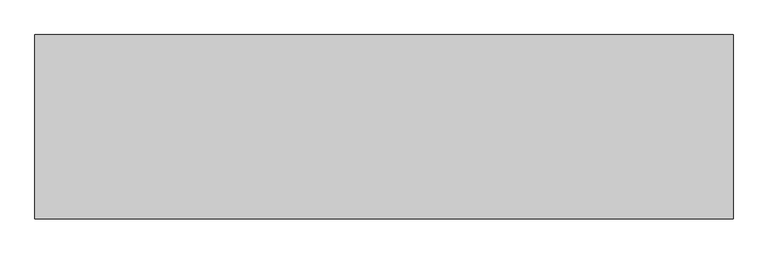
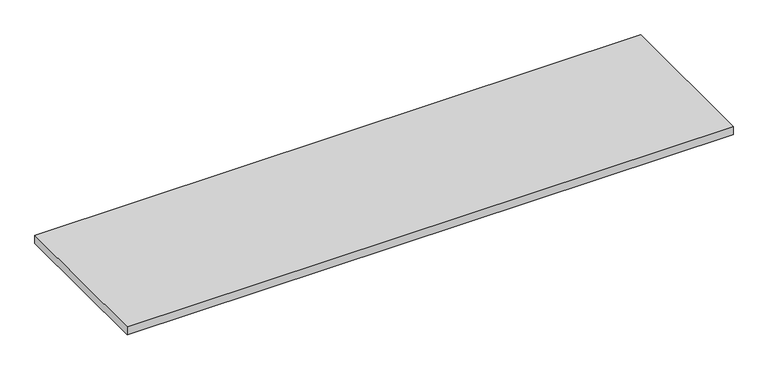
"""IFC4 building model written with IfcOpenShell, lengths in millimetres: furniture geometry."""

from ifc_helpers import new_model, si_unit, frame, origin, place, context, project, spatial, polyline, outline, extrude, source, transform, mapped, element, save


def furniture_3ad478aa(model_context):
    return source(origin(), model_context, "Body", "SweptSolid", [
        extrude(outline(polyline([(1828.8, 0.0), (1828.8, -482.6), (0.0, -482.6), (0.0, 0.0), (1828.8, 0.0)])), frame((0.0, 0.0, 889.0), z_axis=(0.0, 0.0, 1.0), x_axis=(1.0, 0.0, 0.0)), (0.0, 0.0, 1.0), 25.4),
    ])


if __name__ == "__main__":
    model = new_model("IFC4")
    model_context = context("Model", 3, world=origin())
    ifc_project = project(units=[si_unit("LENGTHUNIT", "METRE", prefix="MILLI")], contexts=[model_context])
    site = spatial("IfcSite", under=ifc_project)
    building = spatial("IfcBuilding", under=site)
    placement = place(None, origin())
    furniture_shape = furniture_3ad478aa(model_context)
    element("IfcFurniture", 1, at=placement, inside=building, context=model_context, shape_type="MappedRepresentation", body=[
        mapped(furniture_shape, transform((0.0, 0.0, 0.0), x_axis=(1.0, 0.0, 0.0), y_axis=(0.0, 1.0, 0.0), z_axis=(0.0, 0.0, 1.0))),
    ])
    save(model, "model.ifc")
